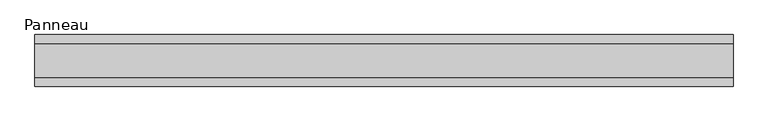
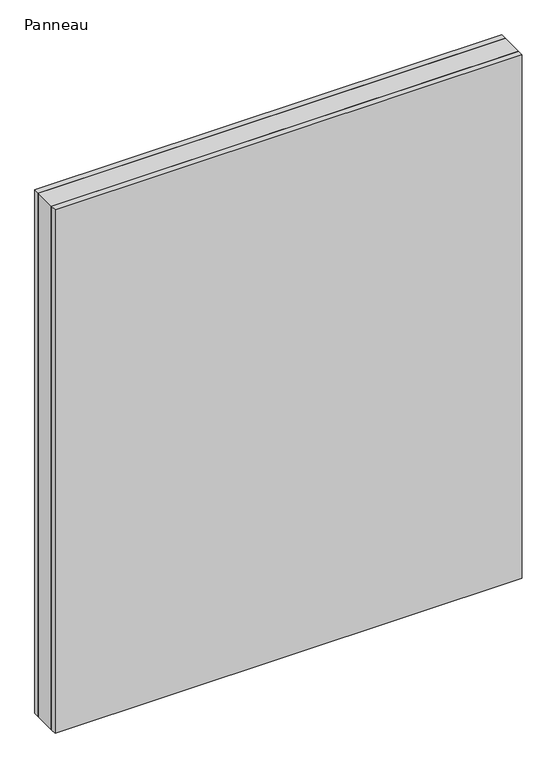
"""IFC4 building model written with IfcOpenShell, lengths in millimetres: plate geometry, Panneau."""

from ifc_helpers import new_model, si_unit, origin, origin_with_axes, place, context, project, spatial, polyline, outline, extrude, source, transform, mapped, element, save


def panneau_783f41f6(model_context):
    return source(origin(), model_context, "Body", "SweptSolid", [
        extrude(outline(polyline([(603.3749999, 29.0), (603.3749999, -29.0), (-603.3749999, -29.0), (-603.3749999, 29.0), (603.3749999, 29.0)])), origin_with_axes(), (0.0, 0.0, 1.0), 1428.5),
        extrude(outline(polyline([(603.3749999, 45.0), (603.3749999, 29.0), (-603.3749999, 29.0), (-603.3749999, 45.0), (603.3749999, 45.0)])), origin_with_axes(), (0.0, 0.0, 1.0), 1428.5),
        extrude(outline(polyline([(-603.3749999, -45.0), (-603.3749999, -29.0), (603.3749999, -29.0), (603.3749999, -45.0), (-603.3749999, -45.0)])), origin_with_axes(), (0.0, 0.0, 1.0), 1428.5),
    ])


if __name__ == "__main__":
    model = new_model("IFC4")
    model_context = context("Model", 3, world=origin())
    ifc_project = project(units=[si_unit("LENGTHUNIT", "METRE", prefix="MILLI")], contexts=[model_context])
    site = spatial("IfcSite", under=ifc_project)
    building = spatial("IfcBuilding", under=site)
    placement = place(None, origin())
    panneau_shape = panneau_783f41f6(model_context)
    element("IfcPlate", 1, ObjectType="Panneau", at=placement, inside=building, context=model_context, shape_type="MappedRepresentation", body=[
        mapped(panneau_shape, transform((0.0, 0.0, 0.0), x_axis=(1.0, 0.0, 0.0), y_axis=(0.0, 1.0, 0.0), z_axis=(0.0, 0.0, 1.0))),
    ])
    save(model, "model.ifc")
